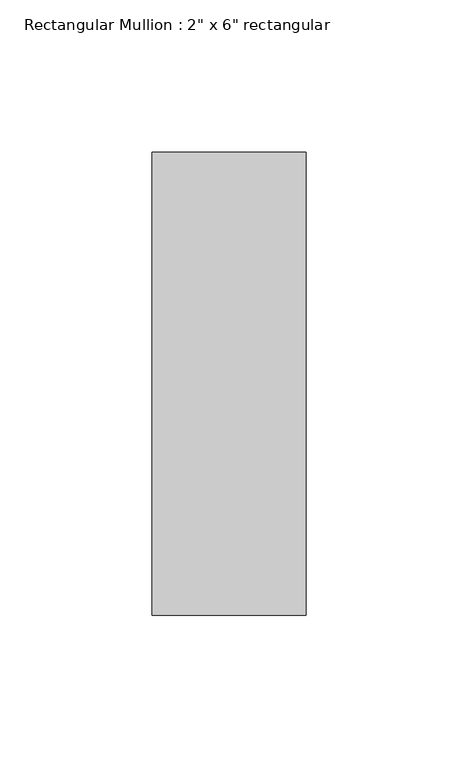
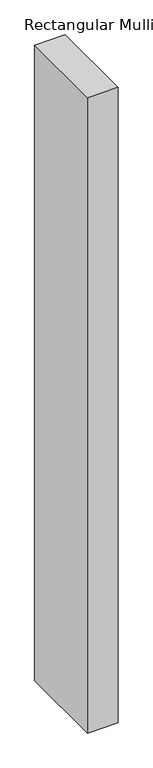
"""IFC4 building model written with IfcOpenShell, lengths in millimetres: member geometry."""

from ifc_helpers import new_model, si_unit, frame, origin, place, context, project, spatial, polyline, outline, extrude, source, transform, mapped, element, save


def member_b63d906f(model_context):
    return source(origin(), model_context, "Body", "SweptSolid", [
        extrude(outline(polyline([(0.0, 76.2), (0.0, -76.2), (-50.8, -76.2), (-50.8, 76.2), (0.0, 76.2)])), frame((0.0, 0.0, -1117.6), z_axis=(0.0, 0.0, 1.0), x_axis=(1.0, 0.0, 0.0)), (0.0, 0.0, 1.0), 1117.6),
    ])


if __name__ == "__main__":
    model = new_model("IFC4")
    model_context = context("Model", 3, world=origin())
    ifc_project = project(units=[si_unit("LENGTHUNIT", "METRE", prefix="MILLI")], contexts=[model_context])
    site = spatial("IfcSite", under=ifc_project)
    building = spatial("IfcBuilding", under=site)
    placement = place(None, origin())
    member_shape = member_b63d906f(model_context)
    element("IfcMember", 1, ObjectType="Rectangular Mullion : 2\" x 6\" rectangular", at=placement, inside=building, context=model_context, shape_type="MappedRepresentation", body=[
        mapped(member_shape, transform((0.0, 0.0, 0.0), x_axis=(1.0, 0.0, 0.0), y_axis=(0.0, 1.0, 0.0), z_axis=(0.0, 0.0, 1.0))),
    ])
    save(model, "model.ifc")
